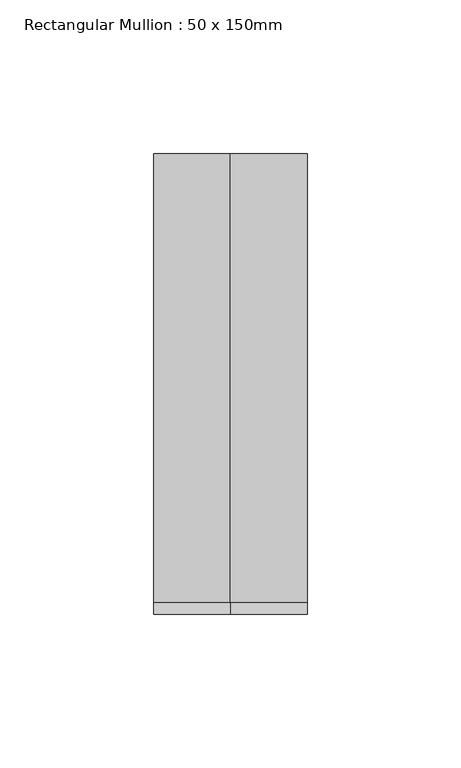
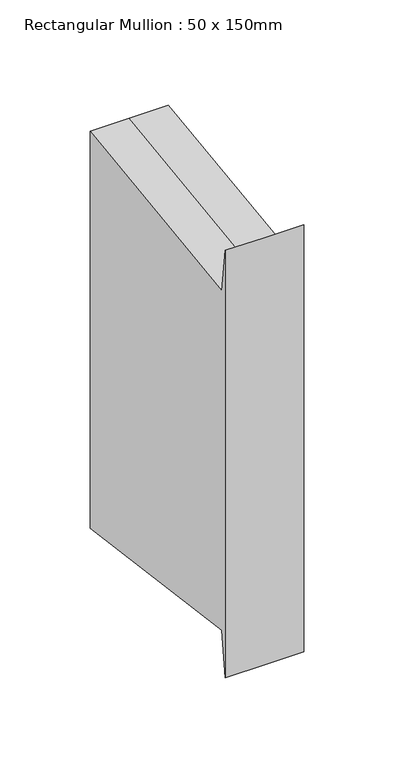
"""IFC4 building model written with IfcOpenShell, lengths in millimetres: member geometry, Rectangular Mullion : 50 x 150mm."""

from ifc_helpers import new_model, si_unit, origin, place, context, project, spatial, faceted_brep, source, transform, mapped, element, save


def rectangular_mullion_50_x_150mm_d5228118(model_context):
    return source(origin(), model_context, "Body", "Brep", [
        faceted_brep([(-25.0, 75.0, 9.7896196), (0.0, 75.0, 9.7896196), (25.0, 75.0, 9.7896196), (25.0, 75.0, -258.9438204), (0.0, 75.0, -258.9438204), (-25.0, 75.0, -258.9438204), (-25.0, -75.0, 20.0164197), (-25.0, -71.0328341, -9.7035513), (-25.0, -71.0328341, -239.4506495), (-25.0, -75.0, -269.1706206), (25.0, -75.0, 20.0164197), (0.0, -75.0, 20.0164197), (0.0, -75.0, -269.1706206), (25.0, -75.0, -269.1706206), (25.0, -71.0328341, -9.7035513), (25.0, -71.0328341, -239.4506495), (0.0, -71.0328341, -9.7035513), (0.0, -71.0328341, -239.4506495)], [[[0, 1, 2, 3, 4, 5]], [[6, 7, 0, 5, 8, 9]], [[10, 11, 6, 9, 12, 13]], [[2, 14, 10, 13, 15, 3]], [[2, 1, 16, 14]], [[1, 0, 7, 16]], [[7, 6, 11, 16]], [[11, 10, 14, 16]], [[3, 15, 17, 4]], [[15, 13, 12, 17]], [[12, 9, 8, 17]], [[8, 5, 4, 17]]]),
    ])


if __name__ == "__main__":
    model = new_model("IFC4")
    model_context = context("Model", 3, world=origin())
    ifc_project = project(units=[si_unit("LENGTHUNIT", "METRE", prefix="MILLI")], contexts=[model_context])
    site = spatial("IfcSite", under=ifc_project)
    building = spatial("IfcBuilding", under=site)
    placement = place(None, origin())
    rectangular_mullion_50_x_150mm_shape = rectangular_mullion_50_x_150mm_d5228118(model_context)
    element("IfcMember", 1, ObjectType="Rectangular Mullion : 50 x 150mm", at=placement, inside=building, context=model_context, shape_type="MappedRepresentation", body=[
        mapped(rectangular_mullion_50_x_150mm_shape, transform((0.0, 0.0, 0.0), x_axis=(1.0, 0.0, 0.0), y_axis=(0.0, 1.0, 0.0), z_axis=(0.0, 0.0, 1.0))),
    ])
    save(model, "model.ifc")
